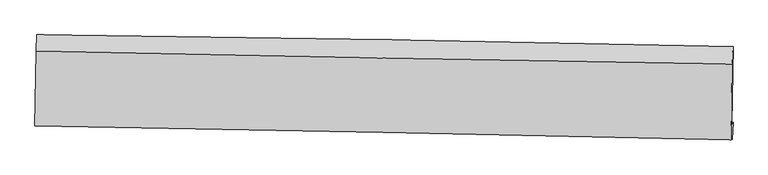
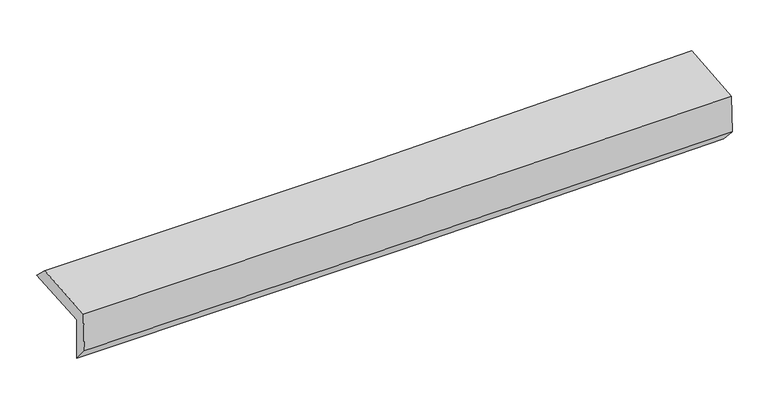
"""IFC4 building model written with IfcOpenShell, lengths in millimetres: proxy geometry."""

from ifc_helpers import new_model, si_unit, frame, origin, place, context, project, spatial, source, transform, mapped, element, save
from ifc_brep_helpers import plane_surface, spline_curve, spline_surface, advanced_brep


def generic_models_04b79c41(model_context):
    return source(origin(), model_context, "Body", "AdvancedBrep", [
        advanced_brep(
        [(-3038.2279805, -1764.3673987, 1956.6108873), (-3027.2438626, -1087.9262773, 1984.8550555), (3025.5232494, -1191.1017463, 2112.7075195), (3013.9916488, -1869.0794924, 2102.3106845), (-3026.0811528, -1742.4848332, 1553.3316263), (3026.2074723, -1850.2774768, 1694.8230535), (-3033.0782823, -1877.5660905, 1712.3531648), (3019.0542422, -1997.4696021, 1851.9486896), (-3044.0234158, -1883.0827325, 2084.2332065), (3008.3361211, -2002.2946729, 2216.4609399), (-3033.6878567, -1231.3786663, 2119.9070001), (3018.3775097, -1341.5166747, 2267.6479702)],
        [
            (0, 1),
            (1, 2, spline_curve(3, [(-3027.2438626, -1087.9262773, 1984.8550555), (-2017.76965613, -1099.004060417, 1985.174099235), (-1008.61560429, -1113.141363176, 1995.988819223), (1008.973383109, -1147.533664261, 2038.607946675), (2017.408368457, -1167.788184432, 2070.410714805), (3025.5232494, -1191.1017463, 2112.7075195)], [4, 2, 4], [0.0, 9.933579759398912, 19.866383538296933])),
            (2, 3),
            (3, 0, spline_curve(3, [(3013.9916488, -1869.0794924, 2102.3106845), (2005.9447824, -1845.677560694, 2057.735331701), (997.589425574, -1825.250811608, 2023.306083369), (-1019.817069227, -1790.346315423, 1974.737899158), (-2028.868255556, -1775.869033428, 1960.600548024), (-3038.2279805, -1764.3673987, 1956.6108873)], [4, 2, 4], [0.0, 9.932803778898021, 19.866383538296933])),
            (4, 0),
            (3, 5),
            (5, 4, spline_curve(3, [(3026.2074723, -1850.2774768, 1694.8230535), (2018.023462202, -1825.520208157, 1655.759754926), (1009.593781567, -1804.159071736, 1624.437311432), (-1007.835721718, -1768.227659584, 1577.272293103), (-2016.835582818, -1753.657914971, 1561.430927352), (-3026.0811528, -1742.4848332, 1553.3316263)], [4, 2, 4], [0.0, 9.93261232482217, 19.86600061518826])),
            (6, 4),
            (5, 7),
            (7, 6, spline_curve(3, [(3019.0542422, -1997.4696021, 1851.9486896), (2010.530132308, -1973.741417231, 1823.927679982), (1001.943402288, -1951.885682753, 1798.284576026), (-1015.434096009, -1911.917553093, 1751.752363027), (-2024.224874178, -1893.805450363, 1730.863625143), (-3033.0782823, -1877.5660905, 1712.3531648)], [4, 2, 4], [0.0, 9.932369552463948, 19.86551505150571])),
            (8, 6),
            (7, 9),
            (9, 8, spline_curve(3, [(3008.3361211, -2002.2946729, 2216.4609399), (1999.802023094, -1978.860094164, 2188.60661731), (991.191382883, -1957.208794597, 2163.660794873), (-1026.261784359, -1917.471202654, 2119.584429505), (-2035.104322684, -1899.385188619, 2100.454340563), (-3044.0234158, -1883.0827325, 2084.2332065)], [4, 2, 4], [0.0, 9.93233601879476, 19.865447981547586])),
            (10, 8),
            (9, 11),
            (11, 10, spline_curve(3, [(3018.3775097, -1341.5166747, 2267.6479702), (2009.937718561, -1325.946806013, 2231.854968673), (1001.398745826, -1308.984117331, 2201.64698327), (-1015.956361072, -1272.271665682, 2152.39912071), (-2024.772510213, -1252.521684751, 2133.36011604), (-3033.6878567, -1231.3786663, 2119.9070001)], [4, 2, 4], [0.0, 9.93232291997133, 19.865421782877405])),
            (1, 10),
            (11, 2),
        ],
        [
            spline_surface(3, 3, [[(-3038.2279805, -1764.3673987, 1956.6108873), (-2028.868255477, -1775.869033327, 1960.600548172), (-1019.817069265, -1790.346315452, 1974.737899057), (997.589425612, -1825.250811579, 2023.306083471), (2005.94478254, -1845.677560657, 2057.735331659), (3013.9916488, -1869.0794924, 2102.3106845)], [(-3034.566607889, -1538.887024901, 1966.025610033), (-2025.168722359, -1550.24737573, 1968.791731835), (-1016.083247595, -1564.61133136, 1981.821539097), (1001.384078098, -1599.345095775, 2028.40670461), (2009.765977895, -1619.714435267, 2061.9604594), (3017.835515671, -1643.08691036, 2105.776296166)], [(-3030.905235211, -1313.406651099, 1975.440332767), (-2021.469189173, -1324.625718129, 1976.982915501), (-1012.349425923, -1338.876347316, 1988.905179053), (1005.178730586, -1373.439380018, 2033.507325666), (2013.587173234, -1393.751309896, 2066.185587143), (3021.679382529, -1417.09432834, 2109.241907834)], [(-3027.2438626, -1087.9262773, 1984.8550555), (-2017.769656054, -1099.004060532, 1985.174099164), (-1008.615604252, -1113.141363224, 1995.988819093), (1008.973383071, -1147.533664214, 2038.607946805), (2017.408368588, -1167.788184506, 2070.410714883), (3025.5232494, -1191.1017463, 2112.7075195)]], [4, 4], [4, 2, 4], [0.0, 2.223758525688234], [0.0, 9.933579759398912, 19.866383538296933]),
            spline_surface(3, 3, [[(-3026.0811528, -1742.4848332, 1553.3316263), (-2016.835582778, -1753.657914957, 1561.43092726), (-1007.835721734, -1768.22765974, 1577.272292973), (1009.593781582, -1804.15907158, 1624.437311562), (2018.023462233, -1825.520208023, 1655.759754921), (3026.2074723, -1850.2774768, 1694.8230535)], [(-3030.130095355, -1749.779021672, 1687.758046653), (-2020.846473667, -1761.061621052, 1694.487467583), (-1011.829504233, -1775.600544995, 1709.760828334), (1005.592329603, -1811.189651597, 1757.393568865), (2013.997235657, -1832.239325568, 1789.751613852), (3022.135531122, -1856.544815333, 1830.652263852)], [(-3034.179037945, -1757.073210228, 1822.184466947), (-2024.857364589, -1768.465327232, 1827.544007848), (-1015.823286766, -1782.973430197, 1842.249363696), (1001.590877591, -1818.220231562, 1890.349826168), (2009.971009116, -1838.958443112, 1923.743472728), (3018.063589978, -1862.812153867, 1966.481474148)], [(-3038.2279805, -1764.3673987, 1956.6108873), (-2028.868255477, -1775.869033327, 1960.600548172), (-1019.817069265, -1790.346315452, 1974.737899057), (997.589425612, -1825.250811579, 2023.306083471), (2005.94478254, -1845.677560657, 2057.735331659), (3013.9916488, -1869.0794924, 2102.3106845)]], [4, 4], [4, 2, 4], [0.0, 1.3088358900541521], [0.0, 9.93338829036609, 19.86600061518826]),
            spline_surface(3, 3, [[(-3033.0782823, -1877.5660905, 1712.3531648), (-2024.224874303, -1893.805450387, 1730.863625105), (-1015.434096062, -1911.917553043, 1751.752362941), (1001.943402342, -1951.885682803, 1798.284576111), (2010.530132224, -1973.741417376, 1823.927679841), (3019.0542422, -1997.4696021, 1851.9486896)], [(-3030.745905793, -1832.539004748, 1659.345985298), (-2021.761777121, -1847.089605258, 1674.386059155), (-1012.901304632, -1864.020921927, 1693.592339612), (1004.493528743, -1902.643479047, 1740.335487921), (2013.027908881, -1924.334347608, 1767.871704846), (3021.43865222, -1948.40556035, 1799.573477545)], [(-3028.413529307, -1787.511918952, 1606.338805802), (-2019.29867996, -1800.373760086, 1617.90849321), (-1010.368513164, -1816.124290856, 1635.432316303), (1007.043655181, -1853.401275336, 1682.386399752), (2015.525685576, -1874.927277791, 1711.815729916), (3023.82306228, -1899.34151855, 1747.198265555)], [(-3026.0811528, -1742.4848332, 1553.3316263), (-2016.835582778, -1753.657914957, 1561.43092726), (-1007.835721734, -1768.22765974, 1577.272292973), (1009.593781582, -1804.15907158, 1624.437311562), (2018.023462233, -1825.520208023, 1655.759754921), (3026.2074723, -1850.2774768, 1694.8230535)]], [4, 4], [4, 2, 4], [0.0, 0.7454222139806459], [0.0, 9.933145499041762, 19.86551505150571]),
            spline_surface(3, 3, [[(-3044.0234158, -1883.0827325, 2084.2332065), (-2035.104322845, -1899.385188477, 2100.454340584), (-1026.261784241, -1917.471202572, 2119.584429396), (991.191382765, -1957.208794679, 2163.660794983), (1999.80202313, -1978.860094052, 2188.606617316), (3008.3361211, -2002.2946729, 2216.4609399)], [(-3040.375037964, -1881.243851826, 1960.273192592), (-2031.477839995, -1897.525275773, 1977.257435417), (-1022.652554847, -1915.619986074, 1996.973740557), (994.775389291, -1955.434424065, 2041.868722005), (2003.37805952, -1977.153868472, 2067.046971506), (3011.908828159, -2000.686315946, 2094.956856481)], [(-3036.726660136, -1879.404971174, 1836.313178708), (-2027.851357152, -1895.665363091, 1854.060530273), (-1019.043325456, -1913.768769541, 1874.36305178), (998.359395816, -1953.660053416, 1920.076649089), (2006.954095834, -1975.447642956, 1945.487325651), (3015.481535141, -1999.077959054, 1973.452773019)], [(-3033.0782823, -1877.5660905, 1712.3531648), (-2024.224874303, -1893.805450387, 1730.863625105), (-1015.434096062, -1911.917553043, 1751.752362941), (1001.943402342, -1951.885682803, 1798.284576111), (2010.530132224, -1973.741417376, 1823.927679841), (3019.0542422, -1997.4696021, 1851.9486896)]], [4, 4], [4, 2, 4], [0.0, 1.2034229181512774], [0.0, 9.933111962752825, 19.865447981547586]),
            spline_surface(3, 3, [[(-3033.6878567, -1231.3786663, 2119.9070001), (-2024.772510287, -1252.521684804, 2133.360116043), (-1015.956360948, -1272.271665587, 2152.399120636), (1001.398745702, -1308.984117426, 2201.646983343), (2009.937718469, -1325.946806103, 2231.854968777), (3018.3775097, -1341.5166747, 2267.6479702)], [(-3037.13304308, -1448.613355032, 2108.015735572), (-2028.216447819, -1468.142852694, 2122.391524228), (-1019.391502041, -1487.338177924, 2141.460890253), (997.996291394, -1525.059009852, 2188.984920586), (2006.559153328, -1543.584568747, 2217.43885162), (3015.030380139, -1561.776007427, 2250.585626763)], [(-3040.57822942, -1665.848043768, 2096.124471028), (-2031.660385312, -1683.764020587, 2111.422932399), (-1022.826643148, -1702.404690235, 2130.522659779), (994.593837073, -1741.133902252, 2176.32285774), (2003.180588271, -1761.222331409, 2203.022734473), (3011.683250661, -1782.035340173, 2233.523283337)], [(-3044.0234158, -1883.0827325, 2084.2332065), (-2035.104322845, -1899.385188477, 2100.454340584), (-1026.261784241, -1917.471202572, 2119.584429396), (991.191382765, -1957.208794679, 2163.660794983), (1999.80202313, -1978.860094052, 2188.606617316), (3008.3361211, -2002.2946729, 2216.4609399)]], [4, 4], [4, 2, 4], [0.0, 2.125201281221777], [0.0, 9.933098862906075, 19.865421782877405]),
            spline_surface(3, 3, [[(-3027.2438626, -1087.9262773, 1984.8550555), (-2017.769656054, -1099.004060532, 1985.174099164), (-1008.615604252, -1113.141363224, 1995.988819093), (1008.973383071, -1147.533664214, 2038.607946805), (2017.408368588, -1167.788184506, 2070.410714883), (3025.5232494, -1191.1017463, 2112.7075195)], [(-3029.391860618, -1135.743740321, 2029.872370353), (-2020.103940783, -1150.176601977, 2034.56943811), (-1011.062523154, -1166.184797338, 2048.125586244), (1006.448503945, -1201.350481944, 2092.954292288), (2014.918151904, -1220.507725055, 2124.225466174), (3023.141336188, -1241.240055784, 2164.354336392)], [(-3031.539858682, -1183.561203279, 2074.889685247), (-2022.438225558, -1201.349143359, 2083.964777097), (-1013.509442046, -1219.228231473, 2100.262353485), (1003.923624829, -1255.167299695, 2147.30063786), (2012.427935154, -1273.227265554, 2178.040217487), (3020.759422912, -1291.378365216, 2216.001153308)], [(-3033.6878567, -1231.3786663, 2119.9070001), (-2024.772510287, -1252.521684804, 2133.360116043), (-1015.956360948, -1272.271665587, 2152.399120636), (1001.398745702, -1308.984117426, 2201.646983343), (2009.937718469, -1325.946806103, 2231.854968777), (3018.3775097, -1341.5166747, 2267.6479702)]], [4, 4], [4, 2, 4], [0.0, 0.7428076595068538], [0.0, 9.933323998836205, 19.865872037150744]),
            plane_surface(frame((3018.5817072, -1708.6232775, 2040.9831429), z_axis=(0.9994226110059987, -0.017446108778220632, 0.029156095391031096), x_axis=(0.029388732686781015, 0.013230184232931534, -0.9994804973666208))),
            plane_surface(frame((-3033.7237585, -1597.8009998, 1901.8818234), z_axis=(-0.9994226110059987, 0.017446108778377115, -0.029156095390939166), x_axis=(-0.016221827828235086, -0.9989979691119184, -0.041712228568775295))),
        ],
        [
            (0, [[1, 2, 3, 4]]),
            (1, [[5, -4, 6, 7]]),
            (2, [[8, -7, 9, 10]]),
            (3, [[11, -10, 12, 13]]),
            (4, [[14, -13, 15, 16]]),
            (5, [[17, -16, 18, -2]]),
            (6, [[-12, -9, -6, -3, -18, -15]]),
            (7, [[-1, -5, -8, -11, -14, -17]]),
        ],
    ),
    ])


if __name__ == "__main__":
    model = new_model("IFC4")
    model_context = context("Model", 3, world=origin())
    ifc_project = project(units=[si_unit("LENGTHUNIT", "METRE", prefix="MILLI")], contexts=[model_context])
    site = spatial("IfcSite", under=ifc_project)
    building = spatial("IfcBuilding", under=site)
    placement = place(None, origin())
    generic_models_shape = generic_models_04b79c41(model_context)
    element("IfcBuildingElementProxy", 1, Name="Generic Models", at=placement, inside=building, context=model_context, shape_type="MappedRepresentation", body=[
        mapped(generic_models_shape, transform((0.0, 0.0, 0.0), x_axis=(1.0, 0.0, 0.0), y_axis=(0.0, 1.0, 0.0), z_axis=(0.0, 0.0, 1.0))),
    ])
    save(model, "model.ifc")
